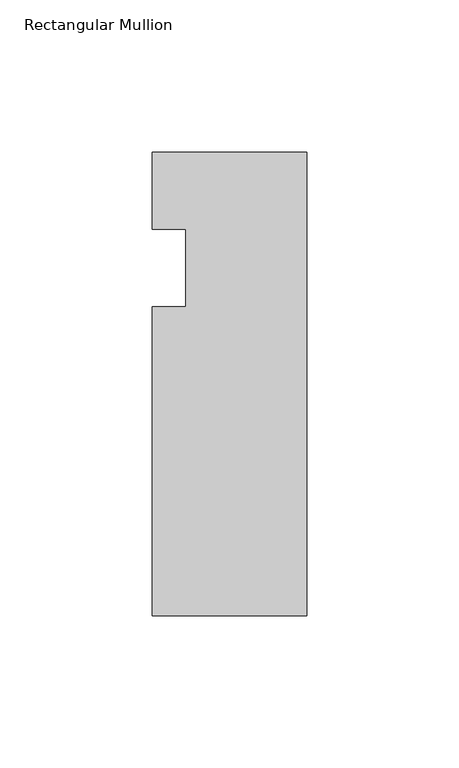
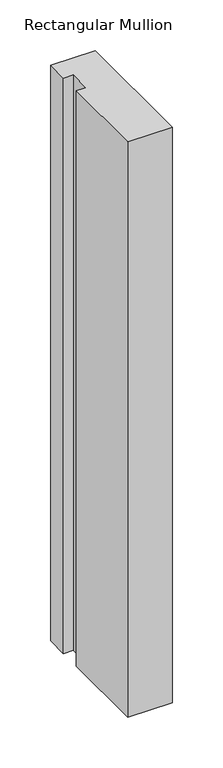
"""IFC4 building model written with IfcOpenShell, lengths in millimetres: member geometry, Rectangular Mullion."""

from ifc_helpers import new_model, si_unit, frame, origin, place, context, project, spatial, polyline, outline, extrude, source, transform, mapped, element, save


def rectangular_mullion_ab93004a(model_context):
    return source(origin(), model_context, "Body", "SweptSolid", [
        extrude(outline(polyline([(0.0, 0.0), (0.0, -152.4), (-50.8, -152.4), (-50.8, -50.8), (-39.798625, -50.8), (-39.798625, -25.4), (-50.8, -25.4), (-50.8, 0.0), (0.0, 0.0)])), frame((0.0, 0.0, -694.2664764), z_axis=(0.0, 0.0, 1.0), x_axis=(1.0, 0.0, 0.0)), (0.0, 0.0, 1.0), 694.2664764),
    ])


if __name__ == "__main__":
    model = new_model("IFC4")
    model_context = context("Model", 3, world=origin())
    ifc_project = project(units=[si_unit("LENGTHUNIT", "METRE", prefix="MILLI")], contexts=[model_context])
    site = spatial("IfcSite", under=ifc_project)
    building = spatial("IfcBuilding", under=site)
    placement = place(None, origin())
    rectangular_mullion_shape = rectangular_mullion_ab93004a(model_context)
    element("IfcMember", 1, ObjectType="Rectangular Mullion", at=placement, inside=building, context=model_context, shape_type="MappedRepresentation", body=[
        mapped(rectangular_mullion_shape, transform((0.0, 0.0, 0.0), x_axis=(1.0, 0.0, 0.0), y_axis=(0.0, 1.0, 0.0), z_axis=(0.0, 0.0, 1.0))),
    ])
    save(model, "model.ifc")
